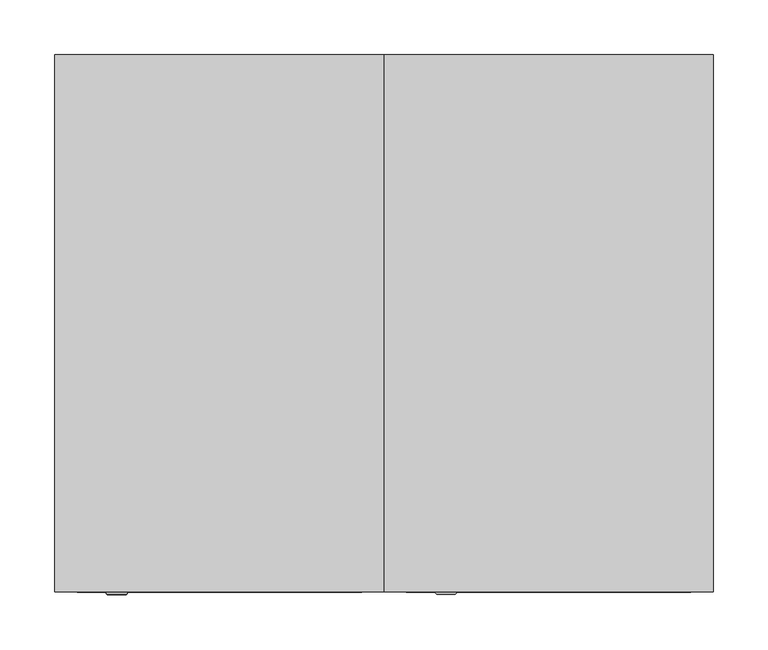
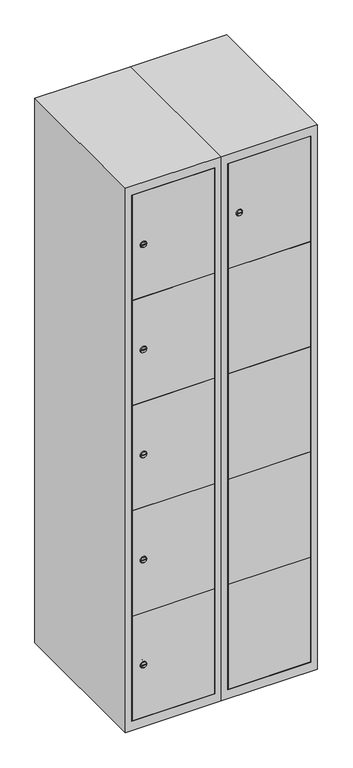
"""IFC4 building model written with IfcOpenShell, lengths in millimetres: furniture geometry."""

import ifcopenshell
import ifcopenshell.guid

model = None  # the IFC model being written
_history = None  # IfcOwnerHistory: only IFC2X3 demands one
_inside = {}  # id of a spatial element -> (the spatial element, [elements in it])
_under = {}  # id of a project, library or spatial element -> (it, [spatial elements below it])
_declared = {}  # id of a project -> (the project, [libraries it declares])
_typed = {}  # id of a type object -> (the type object, [elements of that type])
_made_of = {}  # id of a material, layer set ... -> (it, [elements and type objects made of it])


def new_model(schema):
    """Start an empty IFC model of exactly this schema.

    Asked for "IFC4X3", IfcOpenShell would pick the latest addendum, in which some entities
    have other attributes; the version numbers below select the first issue.
    IFC2X3 requires an IfcOwnerHistory on every rooted entity: one is made here for all.
    """
    global model, _history
    if schema == "IFC4X3":
        model = ifcopenshell.file(schema_version=(4, 3, 0, 0))
    else:
        model = ifcopenshell.file(schema=schema)
    _inside.clear()
    _under.clear()
    _declared.clear()
    _typed.clear()
    _made_of.clear()
    _history = None
    if model.schema == "IFC2X3":
        org = make("IfcOrganization", Name="unknown")
        user = make(
            "IfcPersonAndOrganization",
            ThePerson=make("IfcPerson", FamilyName="unknown"),
            TheOrganization=org,
        )
        app = make(
            "IfcApplication",
            ApplicationDeveloper=org,
            Version="unknown",
            ApplicationFullName="unknown",
            ApplicationIdentifier="unknown",
        )
        _history = make(
            "IfcOwnerHistory",
            OwningUser=user,
            OwningApplication=app,
            ChangeAction="ADDED",
            CreationDate=0,
        )
    return model


def make(cls, **values):
    """One entity of the class cls with the attributes given. An attribute that is None is left unset."""
    return model.create_entity(
        cls, **{name: value for name, value in values.items() if value is not None}
    )


def rooted(cls, **values):
    """An entity with a GlobalId (a new one), such as an element, a storey or a relation."""
    return make(cls, GlobalId=ifcopenshell.guid.new(), OwnerHistory=_history, **values)


def si_unit(unit_type, name, prefix=None):
    """IfcSIUnit, for example si_unit("LENGTHUNIT", "METRE", prefix="MILLI")."""
    return make("IfcSIUnit", UnitType=unit_type, Prefix=prefix, Name=name)


def assignment(units):
    """IfcUnitAssignment: the units of a project."""
    return None if units is None else make("IfcUnitAssignment", Units=units)


def point(xyz):
    """IfcCartesianPoint."""
    return None if xyz is None else make("IfcCartesianPoint", Coordinates=xyz)


def direction(xyz):
    """IfcDirection."""
    return None if xyz is None else make("IfcDirection", DirectionRatios=xyz)


def frame(location, z_axis=None, x_axis=None):
    """IfcAxis2Placement3D, a coordinate frame: its origin and axes. An axis left out is left unset."""
    return make(
        "IfcAxis2Placement3D",
        Location=point(location),
        Axis=direction(z_axis),
        RefDirection=direction(x_axis),
    )


def frame_2d(location, x_axis=None):
    """IfcAxis2Placement2D, a coordinate frame in the plane: its origin and x axis."""
    return make(
        "IfcAxis2Placement2D", Location=point(location), RefDirection=direction(x_axis)
    )


def origin():
    """The frame at (0, 0, 0) with its axes left unset."""
    return frame((0.0, 0.0, 0.0))


def place(relative_to, where):
    """IfcLocalPlacement: puts the frame where relative to a parent placement (None: the world)."""
    return make(
        "IfcLocalPlacement", PlacementRelTo=relative_to, RelativePlacement=where
    )


def context(
    kind, dimensions, precision=None, world=None, true_north=None, identifier=None
):
    """IfcGeometricRepresentationContext, for example the 3D "Model" context."""
    return make(
        "IfcGeometricRepresentationContext",
        ContextIdentifier=identifier,
        ContextType=kind,
        CoordinateSpaceDimension=dimensions,
        Precision=precision,
        WorldCoordinateSystem=world,
        TrueNorth=true_north,
    )


def project(units=None, contexts=None):
    """IfcProject with its units and contexts."""
    return rooted(
        "IfcProject",
        Name="project",
        RepresentationContexts=contexts,
        UnitsInContext=assignment(units),
    )


def spatial(cls, under=None, at=None, **own):
    """A site, building, storey or space (cls), placed at a placement, below another one or the project."""
    s = rooted(cls, ObjectPlacement=at, **own)
    if under is not None:
        _under.setdefault(under.id(), (under, []))[1].append(s)
    return s


def polyline(points):
    """IfcPolyline through the points."""
    return make("IfcPolyline", Points=[point(p) for p in points])


def circle_curve(where, radius):
    """IfcCircle in the frame where."""
    return make("IfcCircle", Position=where, Radius=radius)


def trimmed(basis, trim1, trim2, sense, master):
    """IfcTrimmedCurve: the piece of a basis curve between two trims."""
    return make(
        "IfcTrimmedCurve",
        BasisCurve=basis,
        Trim1=trim1,
        Trim2=trim2,
        SenseAgreement=sense,
        MasterRepresentation=master,
    )


def segment(curve, same_sense, transition):
    """IfcCompositeCurveSegment."""
    return make(
        "IfcCompositeCurveSegment",
        Transition=transition,
        SameSense=same_sense,
        ParentCurve=curve,
    )


def composite_curve(segments, self_intersect=None):
    """IfcCompositeCurve: segments joined end to end."""
    return make("IfcCompositeCurve", Segments=segments, SelfIntersect=self_intersect)


def outline(outer, holes=None, kind="AREA"):
    """IfcArbitraryClosedProfileDef: a profile drawn as a closed curve; with holes, ...WithVoids."""
    if holes is None:
        return make("IfcArbitraryClosedProfileDef", ProfileType=kind, OuterCurve=outer)
    return make(
        "IfcArbitraryProfileDefWithVoids",
        ProfileType=kind,
        OuterCurve=outer,
        InnerCurves=holes,
    )


def extrude(swept, where, along, depth):
    """IfcExtrudedAreaSolid: the profile swept, set in the frame where, extruded along a direction by depth."""
    return make(
        "IfcExtrudedAreaSolid",
        SweptArea=swept,
        Position=where,
        ExtrudedDirection=direction(along),
        Depth=depth,
    )


def faces_of(points, faces, orient=None, outer=None):
    """IfcFace entities. A face is a list of loops; a loop is a list of indices into points, from 0.

    orient and outer hold one flag for each loop. By default every Orientation is true, the
    first loop of a face is its IfcFaceOuterBound and the others are IfcFaceBound.
    """
    made = []
    for i, loops in enumerate(faces):
        bounds = []
        for j, loop in enumerate(loops):
            is_outer = j == 0 if outer is None else outer[i][j]
            bounds.append(
                make(
                    "IfcFaceOuterBound" if is_outer else "IfcFaceBound",
                    Bound=make("IfcPolyLoop", Polygon=[points[k] for k in loop]),
                    Orientation=True if orient is None else orient[i][j],
                )
            )
        made.append(make("IfcFace", Bounds=bounds))
    return made


def faceted_brep(points, faces, orient=None, outer=None, voids=None):
    """IfcFacetedBrep: a solid bounded by flat faces; with voids (closed shells), ...WithVoids."""
    shared = [point(p) for p in points]
    hull = make("IfcClosedShell", CfsFaces=faces_of(shared, faces, orient, outer))
    if voids is None:
        return make("IfcFacetedBrep", Outer=hull)
    return make(
        "IfcFacetedBrepWithVoids",
        Outer=hull,
        Voids=[
            make(cls, CfsFaces=faces_of(shared, fs, o, b)) for cls, fs, o, b in voids
        ],
    )


def shape(context_of_items, identifier, shape_type, items):
    """IfcShapeRepresentation: the items that make up one representation, for example the "Body"."""
    return make(
        "IfcShapeRepresentation",
        ContextOfItems=context_of_items,
        RepresentationIdentifier=identifier,
        RepresentationType=shape_type,
        Items=items,
    )


def source(mapping_origin, context_of_items, identifier, shape_type, items):
    """IfcRepresentationMap: a shape defined once, which mapped items show again and again."""
    return make(
        "IfcRepresentationMap",
        MappingOrigin=mapping_origin,
        MappedRepresentation=shape(context_of_items, identifier, shape_type, items),
    )


def transform(
    local_origin,
    x_axis=None,
    y_axis=None,
    z_axis=None,
    scale=None,
    scale2=None,
    scale3=None,
    uniform=True,
):
    """IfcCartesianTransformationOperator3D, or its non-uniform kind. x_axis, y_axis, z_axis: its Axis1, 2, 3."""
    if uniform:
        return make(
            "IfcCartesianTransformationOperator3D",
            Axis1=direction(x_axis),
            Axis2=direction(y_axis),
            LocalOrigin=point(local_origin),
            Scale=scale,
            Axis3=direction(z_axis),
        )
    return make(
        "IfcCartesianTransformationOperator3DnonUniform",
        Axis1=direction(x_axis),
        Axis2=direction(y_axis),
        LocalOrigin=point(local_origin),
        Scale=scale,
        Axis3=direction(z_axis),
        Scale2=scale2,
        Scale3=scale3,
    )


def mapped(mapping_source, mapping_target):
    """IfcMappedItem: shows the shape of a source again, moved by a transform."""
    return make(
        "IfcMappedItem", MappingSource=mapping_source, MappingTarget=mapping_target
    )


def made_of(thing, what):
    """Note that an element or type object is made of a material, layer set ...; save() writes the relation."""
    if what is not None:
        _made_of.setdefault(what.id(), (what, []))[1].append(thing)
    return thing


def element(
    cls,
    number,
    at=None,
    inside=None,
    cuts=None,
    type_object=None,
    material=None,
    context=None,
    identifier="Body",
    shape_type=None,
    held_by="IfcProductDefinitionShape",
    body=None,
    shapes=None,
    **own,
):
    """One element of the class cls, such as IfcWall. Its Tag is "e" and its number.

    at: its placement. inside: the storey or other place that contains it. cuts: it is an
    opening in that element (IfcRelVoidsElement). A single representation is given by context,
    identifier, shape_type and body (its items); several are given by shapes. held_by: the class
    of the entity that holds the representations. save() writes the other relations.
    """
    e = rooted(cls, Tag="e%d" % number, ObjectPlacement=at, **own)
    if body is not None:
        shapes = [shape(context, identifier, shape_type, body)]
    if shapes is not None:
        e.Representation = make(held_by, Representations=shapes)
    if inside is not None:
        _inside.setdefault(inside.id(), (inside, []))[1].append(e)
    if cuts is not None:
        rooted(
            "IfcRelVoidsElement", RelatingBuildingElement=cuts, RelatedOpeningElement=e
        )
    if type_object is not None:
        _typed.setdefault(type_object.id(), (type_object, []))[1].append(e)
    return made_of(e, material)


def aggregate(whole, parts):
    """IfcRelAggregates: a whole, such as a stair, and the parts it consists of."""
    return rooted("IfcRelAggregates", RelatingObject=whole, RelatedObjects=parts)


def save(model, path):
    """Write the relations noted so far, then the file.

    IfcRelAggregates (storeys below a building ...), IfcRelContainedInSpatialStructure (elements
    in a storey), IfcRelDefinesByType, IfcRelAssociatesMaterial and IfcRelDeclares: one each for
    every whole, place, type object, material and project.
    """
    for whole, parts in _under.values():
        aggregate(whole, parts)
    for where, things in _inside.values():
        rooted(
            "IfcRelContainedInSpatialStructure",
            RelatedElements=things,
            RelatingStructure=where,
        )
    for kind, things in _typed.values():
        rooted("IfcRelDefinesByType", RelatedObjects=things, RelatingType=kind)
    for what, things in _made_of.values():
        rooted("IfcRelAssociatesMaterial", RelatedObjects=things, RelatingMaterial=what)
    for by, libraries in _declared.values():
        rooted("IfcRelDeclares", RelatingContext=by, RelatedDefinitions=libraries)
    model.write(path)


def plane_surface(at):
    """IfcPlane: the flat surface through the origin of the frame at, square to its z axis."""
    return make("IfcPlane", Position=at)


def revolved_surface(curve, axis_point, axis_direction):
    """IfcSurfaceOfRevolution: the curve turned about the line through axis_point along axis_direction."""
    return make(
        "IfcSurfaceOfRevolution",
        SweptCurve=make("IfcArbitraryOpenProfileDef", ProfileType="CURVE", Curve=curve),
        AxisPosition=make("IfcAxis1Placement", Location=point(axis_point), Axis=direction(axis_direction)),
    )


def advanced_brep(points, edges, surfaces, faces):
    """IfcAdvancedBrep: a solid bounded by faces that lie on surfaces and meet in shared edges.

    An edge is (start, end): straight between two places in points (the first is 0);
    or (start, end, curve); or (start, end, curve, False) where it runs against its curve.
    A face is (place in surfaces, loops), or (place, loops, False) where it looks against
    its surface's normal. A loop lists edges by number (the first is 1), with a minus sign
    where the edge is run from its end to its start. The first loop is the outer one.
    """
    corners = [point(p) for p in points]
    vertices = [make("IfcVertexPoint", VertexGeometry=c) for c in corners]
    made = []
    for start, end, *more in edges:
        made.append(
            make(
                "IfcEdgeCurve",
                EdgeStart=vertices[start],
                EdgeEnd=vertices[end],
                EdgeGeometry=more[0] if more else make("IfcPolyline", Points=[corners[start], corners[end]]),
                SameSense=more[1] if len(more) > 1 else True,
            )
        )
    hull = []
    for where, loops, *sense in faces:
        bounds = []
        for j, loop in enumerate(loops):
            ring = [make("IfcOrientedEdge", EdgeElement=made[abs(k) - 1], Orientation=k > 0) for k in loop]
            bounds.append(
                make(
                    "IfcFaceOuterBound" if j == 0 else "IfcFaceBound",
                    Bound=make("IfcEdgeLoop", EdgeList=ring),
                    Orientation=True,
                )
            )
        hull.append(make("IfcAdvancedFace", Bounds=bounds, FaceSurface=surfaces[where], SameSense=sense[0] if sense else True))
    return make("IfcAdvancedBrep", Outer=make("IfcClosedShell", CfsFaces=hull))


def furniture_5b9d0ed6(model_context):
    return source(origin(), model_context, "Body", "SolidModel", [
        advanced_brep(
        [(164.9, -247.2, 1630.04), (147.9, -247.2, 1630.04), (151.4, -247.2, 1628.79), (151.4, -247.2, 1631.29), (161.4, -247.2, 1631.29), (161.4, -247.2, 1628.79), (166.9, -245.0, 1630.04), (145.9, -245.0, 1630.04), (151.4, -245.0, 1631.29), (151.4, -245.0, 1628.79), (161.4, -245.0, 1628.79), (161.4, -245.0, 1631.29)],
        [
            (0, 1, circle_curve(frame((156.4, -247.2, 1630.04), z_axis=(0.0, -1.0, 0.0), x_axis=(1.0, 0.0, 0.0)), 8.5)),
            (1, 0, circle_curve(frame((156.4, -247.2, 1630.04), z_axis=(0.0, -1.0, 0.0), x_axis=(-1.0, 0.0, 0.0)), 8.5)),
            (2, 3),
            (3, 4),
            (4, 5),
            (5, 2),
            (6, 7, circle_curve(frame((156.4, -245.0, 1630.04), z_axis=(0.0, 1.0, 0.0), x_axis=(-1.0, 0.0, 0.0)), 10.5)),
            (7, 6, circle_curve(frame((156.4, -245.0, 1630.04), z_axis=(0.0, 1.0, 0.0), x_axis=(1.0, 0.0, 0.0)), 10.5)),
            (8, 9),
            (9, 10),
            (10, 11),
            (11, 8),
            (0, 6),
            (7, 1),
            (8, 3),
            (2, 9),
            (11, 4),
            (10, 5),
        ],
        [
            plane_surface(frame((156.4, -247.2, 1630.04), z_axis=(0.0, -1.0, 0.0), x_axis=(0.0, 0.0, 1.0))),
            plane_surface(frame((156.4, -245.0, 1630.04), z_axis=(0.0, 1.0, 0.0), x_axis=(0.0, 0.0, 1.0))),
            revolved_surface(polyline([(164.9, -247.2, 1630.04), (166.9, -245.0, 1630.04)]), (156.4, -256.55, 1630.04), (0.0, 1.0, 0.0)),
            revolved_surface(polyline([(147.9, -247.2, 1630.04), (145.9, -245.0, 1630.04)]), (156.4, -256.55, 1630.04), (0.0, 1.0, 0.0)),
            plane_surface(frame((151.4, -245.0, 1628.79), z_axis=(1.0, 0.0, 0.0), x_axis=(0.0, -1.0, 0.0))),
            plane_surface(frame((151.4, -245.0, 1631.29), z_axis=(0.0, 0.0, -1.0), x_axis=(0.0, -1.0, 0.0))),
            plane_surface(frame((161.4, -245.0, 1631.29), z_axis=(-1.0, 0.0, 0.0), x_axis=(0.0, -1.0, 0.0))),
            plane_surface(frame((161.4, -245.0, 1628.79), z_axis=(0.0, 0.0, 1.0), x_axis=(0.0, -1.0, 0.0))),
        ],
        [
            (0, [[1, 2], [3, 4, 5, 6]]),
            (1, [[7, 8], [9, 10, 11, 12]]),
            (2, [[-1, 13, -8, 14]]),
            (3, [[-2, -14, -7, -13]]),
            (4, [[15, -3, 16, -9]]),
            (5, [[-15, -12, 17, -4]]),
            (6, [[-17, -11, 18, -5]]),
            (7, [[-16, -6, -18, -10]]),
        ],
    ),
        extrude(outline(polyline([(378.6, -227.0), (378.6, -245.0), (121.4, -245.0), (121.4, -227.0), (378.6, -227.0)])), frame((0.0, 0.0, 760.74), z_axis=(0.0, 0.0, 1.0), x_axis=(1.0, 0.0, 0.0)), (0.0, 0.0, 1.0), 348.52),
        extrude(outline(polyline([(378.6, -227.0), (378.6, -245.0), (121.4, -245.0), (121.4, -227.0), (378.6, -227.0)])), frame((0.0, 0.0, 413.22), z_axis=(0.0, 0.0, 1.0), x_axis=(1.0, 0.0, 0.0)), (0.0, 0.0, 1.0), 348.52),
        extrude(outline(polyline([(378.6, -227.0), (378.6, -245.0), (121.4, -245.0), (121.4, -227.0), (378.6, -227.0)])), frame((0.0, 0.0, 1108.26), z_axis=(0.0, 0.0, 1.0), x_axis=(1.0, 0.0, 0.0)), (0.0, 0.0, 1.0), 347.52),
        extrude(outline(polyline([(121.4, -245.0), (121.4, -227.0), (378.6, -227.0), (378.6, -245.0), (121.4, -245.0)])), frame((0.0, 0.0, 1456.78), z_axis=(0.0, 0.0, 1.0), x_axis=(1.0, 0.0, 0.0)), (0.0, 0.0, 1.0), 347.02),
        extrude(outline(polyline([(378.6, -227.0), (378.6, -245.0), (121.4, -245.0), (121.4, -227.0), (378.6, -227.0)])), frame((0.0, 0.0, 66.2), z_axis=(0.0, 0.0, 1.0), x_axis=(1.0, 0.0, 0.0)), (0.0, 0.0, 1.0), 348.02),
        extrude(outline(polyline([(379.6, 242.0), (379.6, -227.0), (120.4, -227.0), (120.4, 242.0), (379.6, 242.0)])), frame((0.0, 0.0, 1446.68), z_axis=(0.0, 0.0, 1.0), x_axis=(1.0, 0.0, 0.0)), (0.0, 0.0, 1.0), 20.4),
        extrude(outline(polyline([(379.6, 242.0), (379.6, -227.0), (120.4, -227.0), (120.4, 242.0), (379.6, 242.0)])), frame((0.0, 0.0, 1098.76), z_axis=(0.0, 0.0, 1.0), x_axis=(1.0, 0.0, 0.0)), (0.0, 0.0, 1.0), 20.4),
        extrude(outline(polyline([(379.6, 242.0), (379.6, -227.0), (120.4, -227.0), (120.4, 242.0), (379.6, 242.0)])), frame((0.0, 0.0, 750.84), z_axis=(0.0, 0.0, 1.0), x_axis=(1.0, 0.0, 0.0)), (0.0, 0.0, 1.0), 20.4),
        extrude(outline(polyline([(120.4, 242.0), (379.6, 242.0), (379.6, -227.0), (120.4, -227.0), (120.4, 242.0)])), frame((0.0, 0.0, 402.92), z_axis=(0.0, 0.0, 1.0), x_axis=(1.0, 0.0, 0.0)), (0.0, 0.0, 1.0), 20.4),
        faceted_brep([(400.0, -245.0, 35.0), (400.0, -245.0, 1835.0), (100.0, -245.0, 1835.0), (100.0, -245.0, 35.0), (379.6, -245.0, 1804.8), (379.6, -245.0, 65.2), (120.4, -245.0, 65.2), (120.4, -245.0, 1804.8), (400.0, 245.0, 35.0), (100.0, 245.0, 35.0), (400.0, 245.0, 1835.0), (100.0, 245.0, 1835.0), (379.6, 242.0, 1804.8), (379.6, 242.0, 65.2), (100.0, 245.0, 1804.8), (120.4, 242.0, 1804.8), (120.4, 242.0, 65.2)], [[[0, 1, 2, 3], [4, 5, 6, 7]], [[8, 0, 3, 9]], [[1, 0, 8, 10]], [[1, 10, 11, 2]], [[4, 12, 13, 5]], [[9, 3, 2, 11, 14]], [[10, 8, 9, 14, 11]], [[12, 15, 16, 13]], [[15, 7, 6, 16]], [[4, 7, 15, 12]], [[6, 5, 13, 16]]]),
        extrude(outline(composite_curve([segment(trimmed(circle_curve(frame_2d((239.96, -170.3989466)), 7.0), [point((246.96, -170.3989466))], [point((232.96, -170.3989466))], False, "CARTESIAN"), True, "CONTINUOUS"), segment(polyline([(232.96, -170.3989466), (232.96, -142.3989466)]), True, "CONTINUOUS"), segment(trimmed(circle_curve(frame_2d((239.96, -142.3989466)), 7.0), [point((232.96, -142.3989466))], [point((246.96, -142.3989466))], False, "CARTESIAN"), True, "CONTINUOUS"), segment(polyline([(246.96, -142.3989466), (246.96, -170.3989466)]), True, "CONTINUOUS")], self_intersect=False)), frame((0.0, -227.0, 0.0), z_axis=(0.0, 1.0, 0.0), x_axis=(0.0, 0.0, 1.0)), (0.0, 0.0, 1.0), 2.0),
        advanced_brep(
        [(-135.1, -247.2, 239.96), (-152.1, -247.2, 239.96), (-148.6, -247.2, 238.71), (-148.6, -247.2, 241.21), (-138.6, -247.2, 241.21), (-138.6, -247.2, 238.71), (-133.1, -245.0, 239.96), (-154.1, -245.0, 239.96), (-148.6, -245.0, 241.21), (-148.6, -245.0, 238.71), (-138.6, -245.0, 238.71), (-138.6, -245.0, 241.21)],
        [
            (0, 1, circle_curve(frame((-143.6, -247.2, 239.96), z_axis=(0.0, -1.0, 0.0), x_axis=(1.0, 0.0, 0.0)), 8.5)),
            (1, 0, circle_curve(frame((-143.6, -247.2, 239.96), z_axis=(0.0, -1.0, 0.0), x_axis=(-1.0, 0.0, 0.0)), 8.5)),
            (2, 3),
            (3, 4),
            (4, 5),
            (5, 2),
            (6, 7, circle_curve(frame((-143.6, -245.0, 239.96), z_axis=(0.0, 1.0, 0.0), x_axis=(-1.0, 0.0, 0.0)), 10.5)),
            (7, 6, circle_curve(frame((-143.6, -245.0, 239.96), z_axis=(0.0, 1.0, 0.0), x_axis=(1.0, 0.0, 0.0)), 10.5)),
            (8, 9),
            (9, 10),
            (10, 11),
            (11, 8),
            (0, 6),
            (7, 1),
            (8, 3),
            (2, 9),
            (11, 4),
            (10, 5),
        ],
        [
            plane_surface(frame((-143.6, -247.2, 239.96), z_axis=(0.0, -1.0, 0.0), x_axis=(0.0, 0.0, 1.0))),
            plane_surface(frame((-143.6, -245.0, 239.96), z_axis=(0.0, 1.0, 0.0), x_axis=(0.0, 0.0, 1.0))),
            revolved_surface(polyline([(-135.1, -247.2, 239.96), (-133.1, -245.0, 239.96)]), (-143.6, -256.55, 239.96), (0.0, 1.0, 0.0)),
            revolved_surface(polyline([(-152.1, -247.2, 239.96), (-154.1, -245.0, 239.96)]), (-143.6, -256.55, 239.96), (0.0, 1.0, 0.0)),
            plane_surface(frame((-148.6, -245.0, 238.71), z_axis=(1.0, 0.0, 0.0), x_axis=(0.0, -1.0, 0.0))),
            plane_surface(frame((-148.6, -245.0, 241.21), z_axis=(0.0, 0.0, -1.0), x_axis=(0.0, -1.0, 0.0))),
            plane_surface(frame((-138.6, -245.0, 241.21), z_axis=(-1.0, 0.0, 0.0), x_axis=(0.0, -1.0, 0.0))),
            plane_surface(frame((-138.6, -245.0, 238.71), z_axis=(0.0, 0.0, 1.0), x_axis=(0.0, -1.0, 0.0))),
        ],
        [
            (0, [[1, 2], [3, 4, 5, 6]]),
            (1, [[7, 8], [9, 10, 11, 12]]),
            (2, [[-1, 13, -8, 14]]),
            (3, [[-2, -14, -7, -13]]),
            (4, [[15, -3, 16, -9]]),
            (5, [[-15, -12, 17, -4]]),
            (6, [[-17, -11, 18, -5]]),
            (7, [[-16, -6, -18, -10]]),
        ],
    ),
        extrude(outline(composite_curve([segment(trimmed(circle_curve(frame_2d((587.48, -170.3989466)), 7.0), [point((594.48, -170.3989466))], [point((580.48, -170.3989466))], False, "CARTESIAN"), True, "CONTINUOUS"), segment(polyline([(580.48, -170.3989466), (580.48, -142.3989466)]), True, "CONTINUOUS"), segment(trimmed(circle_curve(frame_2d((587.48, -142.3989466)), 7.0), [point((580.48, -142.3989466))], [point((594.48, -142.3989466))], False, "CARTESIAN"), True, "CONTINUOUS"), segment(polyline([(594.48, -142.3989466), (594.48, -170.3989466)]), True, "CONTINUOUS")], self_intersect=False)), frame((0.0, -227.0, 0.0), z_axis=(0.0, 1.0, 0.0), x_axis=(0.0, 0.0, 1.0)), (0.0, 0.0, 1.0), 2.0),
        advanced_brep(
        [(-135.1, -247.2, 587.48), (-152.1, -247.2, 587.48), (-148.6, -247.2, 586.23), (-148.6, -247.2, 588.73), (-138.6, -247.2, 588.73), (-138.6, -247.2, 586.23), (-133.1, -245.0, 587.48), (-154.1, -245.0, 587.48), (-148.6, -245.0, 588.73), (-148.6, -245.0, 586.23), (-138.6, -245.0, 586.23), (-138.6, -245.0, 588.73)],
        [
            (0, 1, circle_curve(frame((-143.6, -247.2, 587.48), z_axis=(0.0, -1.0, 0.0), x_axis=(1.0, 0.0, 0.0)), 8.5)),
            (1, 0, circle_curve(frame((-143.6, -247.2, 587.48), z_axis=(0.0, -1.0, 0.0), x_axis=(-1.0, 0.0, 0.0)), 8.5)),
            (2, 3),
            (3, 4),
            (4, 5),
            (5, 2),
            (6, 7, circle_curve(frame((-143.6, -245.0, 587.48), z_axis=(0.0, 1.0, 0.0), x_axis=(-1.0, 0.0, 0.0)), 10.5)),
            (7, 6, circle_curve(frame((-143.6, -245.0, 587.48), z_axis=(0.0, 1.0, 0.0), x_axis=(1.0, 0.0, 0.0)), 10.5)),
            (8, 9),
            (9, 10),
            (10, 11),
            (11, 8),
            (0, 6),
            (7, 1),
            (8, 3),
            (2, 9),
            (11, 4),
            (10, 5),
        ],
        [
            plane_surface(frame((-143.6, -247.2, 587.48), z_axis=(0.0, -1.0, 0.0), x_axis=(0.0, 0.0, 1.0))),
            plane_surface(frame((-143.6, -245.0, 587.48), z_axis=(0.0, 1.0, 0.0), x_axis=(0.0, 0.0, 1.0))),
            revolved_surface(polyline([(-135.1, -247.2, 587.48), (-133.1, -245.0, 587.48)]), (-143.6, -256.55, 587.48), (0.0, 1.0, 0.0)),
            revolved_surface(polyline([(-152.1, -247.2, 587.48), (-154.1, -245.0, 587.48)]), (-143.6, -256.55, 587.48), (0.0, 1.0, 0.0)),
            plane_surface(frame((-148.6, -245.0, 586.23), z_axis=(1.0, 0.0, 0.0), x_axis=(0.0, -1.0, 0.0))),
            plane_surface(frame((-148.6, -245.0, 588.73), z_axis=(0.0, 0.0, -1.0), x_axis=(0.0, -1.0, 0.0))),
            plane_surface(frame((-138.6, -245.0, 588.73), z_axis=(-1.0, 0.0, 0.0), x_axis=(0.0, -1.0, 0.0))),
            plane_surface(frame((-138.6, -245.0, 586.23), z_axis=(0.0, 0.0, 1.0), x_axis=(0.0, -1.0, 0.0))),
        ],
        [
            (0, [[1, 2], [3, 4, 5, 6]]),
            (1, [[7, 8], [9, 10, 11, 12]]),
            (2, [[-1, 13, -8, 14]]),
            (3, [[-2, -14, -7, -13]]),
            (4, [[15, -3, 16, -9]]),
            (5, [[-15, -12, 17, -4]]),
            (6, [[-17, -11, 18, -5]]),
            (7, [[-16, -6, -18, -10]]),
        ],
    ),
        extrude(outline(composite_curve([segment(trimmed(circle_curve(frame_2d((935.0, -170.3989466)), 7.0), [point((942.0, -170.3989466))], [point((928.0, -170.3989466))], False, "CARTESIAN"), True, "CONTINUOUS"), segment(polyline([(928.0, -170.3989466), (928.0, -142.3989466)]), True, "CONTINUOUS"), segment(trimmed(circle_curve(frame_2d((935.0, -142.3989466)), 7.0), [point((928.0, -142.3989466))], [point((942.0, -142.3989466))], False, "CARTESIAN"), True, "CONTINUOUS"), segment(polyline([(942.0, -142.3989466), (942.0, -170.3989466)]), True, "CONTINUOUS")], self_intersect=False)), frame((0.0, -227.0, 0.0), z_axis=(0.0, 1.0, 0.0), x_axis=(0.0, 0.0, 1.0)), (0.0, 0.0, 1.0), 2.0),
        advanced_brep(
        [(-135.1, -247.2, 935.0), (-152.1, -247.2, 935.0), (-148.6, -247.2, 933.75), (-148.6, -247.2, 936.25), (-138.6, -247.2, 936.25), (-138.6, -247.2, 933.75), (-133.1, -245.0, 935.0), (-154.1, -245.0, 935.0), (-148.6, -245.0, 936.25), (-148.6, -245.0, 933.75), (-138.6, -245.0, 933.75), (-138.6, -245.0, 936.25)],
        [
            (0, 1, circle_curve(frame((-143.6, -247.2, 935.0), z_axis=(0.0, -1.0, 0.0), x_axis=(1.0, 0.0, 0.0)), 8.5)),
            (1, 0, circle_curve(frame((-143.6, -247.2, 935.0), z_axis=(0.0, -1.0, 0.0), x_axis=(-1.0, 0.0, 0.0)), 8.5)),
            (2, 3),
            (3, 4),
            (4, 5),
            (5, 2),
            (6, 7, circle_curve(frame((-143.6, -245.0, 935.0), z_axis=(0.0, 1.0, 0.0), x_axis=(-1.0, 0.0, 0.0)), 10.5)),
            (7, 6, circle_curve(frame((-143.6, -245.0, 935.0), z_axis=(0.0, 1.0, 0.0), x_axis=(1.0, 0.0, 0.0)), 10.5)),
            (8, 9),
            (9, 10),
            (10, 11),
            (11, 8),
            (0, 6),
            (7, 1),
            (8, 3),
            (2, 9),
            (11, 4),
            (10, 5),
        ],
        [
            plane_surface(frame((-143.6, -247.2, 935.0), z_axis=(0.0, -1.0, 0.0), x_axis=(0.0, 0.0, 1.0))),
            plane_surface(frame((-143.6, -245.0, 935.0), z_axis=(0.0, 1.0, 0.0), x_axis=(0.0, 0.0, 1.0))),
            revolved_surface(polyline([(-135.1, -247.2, 935.0), (-133.1, -245.0, 935.0)]), (-143.6, -256.55, 935.0), (0.0, 1.0, 0.0)),
            revolved_surface(polyline([(-152.1, -247.2, 935.0), (-154.1, -245.0, 935.0)]), (-143.6, -256.55, 935.0), (0.0, 1.0, 0.0)),
            plane_surface(frame((-148.6, -245.0, 933.75), z_axis=(1.0, 0.0, 0.0), x_axis=(0.0, -1.0, 0.0))),
            plane_surface(frame((-148.6, -245.0, 936.25), z_axis=(0.0, 0.0, -1.0), x_axis=(0.0, -1.0, 0.0))),
            plane_surface(frame((-138.6, -245.0, 936.25), z_axis=(-1.0, 0.0, 0.0), x_axis=(0.0, -1.0, 0.0))),
            plane_surface(frame((-138.6, -245.0, 933.75), z_axis=(0.0, 0.0, 1.0), x_axis=(0.0, -1.0, 0.0))),
        ],
        [
            (0, [[1, 2], [3, 4, 5, 6]]),
            (1, [[7, 8], [9, 10, 11, 12]]),
            (2, [[-1, 13, -8, 14]]),
            (3, [[-2, -14, -7, -13]]),
            (4, [[15, -3, 16, -9]]),
            (5, [[-15, -12, 17, -4]]),
            (6, [[-17, -11, 18, -5]]),
            (7, [[-16, -6, -18, -10]]),
        ],
    ),
        extrude(outline(composite_curve([segment(trimmed(circle_curve(frame_2d((1282.52, -170.3989466)), 7.0), [point((1289.52, -170.3989466))], [point((1275.52, -170.3989466))], False, "CARTESIAN"), True, "CONTINUOUS"), segment(polyline([(1275.52, -170.3989466), (1275.52, -142.3989466)]), True, "CONTINUOUS"), segment(trimmed(circle_curve(frame_2d((1282.52, -142.3989466)), 7.0), [point((1275.52, -142.3989466))], [point((1289.52, -142.3989466))], False, "CARTESIAN"), True, "CONTINUOUS"), segment(polyline([(1289.52, -142.3989466), (1289.52, -170.3989466)]), True, "CONTINUOUS")], self_intersect=False)), frame((0.0, -227.0, 0.0), z_axis=(0.0, 1.0, 0.0), x_axis=(0.0, 0.0, 1.0)), (0.0, 0.0, 1.0), 2.0),
        advanced_brep(
        [(-135.1, -247.2, 1282.52), (-152.1, -247.2, 1282.52), (-148.6, -247.2, 1281.27), (-148.6, -247.2, 1283.77), (-138.6, -247.2, 1283.77), (-138.6, -247.2, 1281.27), (-133.1, -245.0, 1282.52), (-154.1, -245.0, 1282.52), (-148.6, -245.0, 1283.77), (-148.6, -245.0, 1281.27), (-138.6, -245.0, 1281.27), (-138.6, -245.0, 1283.77)],
        [
            (0, 1, circle_curve(frame((-143.6, -247.2, 1282.52), z_axis=(0.0, -1.0, 0.0), x_axis=(1.0, 0.0, 0.0)), 8.5)),
            (1, 0, circle_curve(frame((-143.6, -247.2, 1282.52), z_axis=(0.0, -1.0, 0.0), x_axis=(-1.0, 0.0, 0.0)), 8.5)),
            (2, 3),
            (3, 4),
            (4, 5),
            (5, 2),
            (6, 7, circle_curve(frame((-143.6, -245.0, 1282.52), z_axis=(0.0, 1.0, 0.0), x_axis=(-1.0, 0.0, 0.0)), 10.5)),
            (7, 6, circle_curve(frame((-143.6, -245.0, 1282.52), z_axis=(0.0, 1.0, 0.0), x_axis=(1.0, 0.0, 0.0)), 10.5)),
            (8, 9),
            (9, 10),
            (10, 11),
            (11, 8),
            (0, 6),
            (7, 1),
            (8, 3),
            (2, 9),
            (11, 4),
            (10, 5),
        ],
        [
            plane_surface(frame((-143.6, -247.2, 1282.52), z_axis=(0.0, -1.0, 0.0), x_axis=(0.0, 0.0, 1.0))),
            plane_surface(frame((-143.6, -245.0, 1282.52), z_axis=(0.0, 1.0, 0.0), x_axis=(0.0, 0.0, 1.0))),
            revolved_surface(polyline([(-135.1, -247.2, 1282.52), (-133.1, -245.0, 1282.52)]), (-143.6, -256.55, 1282.52), (0.0, 1.0, 0.0)),
            revolved_surface(polyline([(-152.1, -247.2, 1282.52), (-154.1, -245.0, 1282.52)]), (-143.6, -256.55, 1282.52), (0.0, 1.0, 0.0)),
            plane_surface(frame((-148.6, -245.0, 1281.27), z_axis=(1.0, 0.0, 0.0), x_axis=(0.0, -1.0, 0.0))),
            plane_surface(frame((-148.6, -245.0, 1283.77), z_axis=(0.0, 0.0, -1.0), x_axis=(0.0, -1.0, 0.0))),
            plane_surface(frame((-138.6, -245.0, 1283.77), z_axis=(-1.0, 0.0, 0.0), x_axis=(0.0, -1.0, 0.0))),
            plane_surface(frame((-138.6, -245.0, 1281.27), z_axis=(0.0, 0.0, 1.0), x_axis=(0.0, -1.0, 0.0))),
        ],
        [
            (0, [[1, 2], [3, 4, 5, 6]]),
            (1, [[7, 8], [9, 10, 11, 12]]),
            (2, [[-1, 13, -8, 14]]),
            (3, [[-2, -14, -7, -13]]),
            (4, [[15, -3, 16, -9]]),
            (5, [[-15, -12, 17, -4]]),
            (6, [[-17, -11, 18, -5]]),
            (7, [[-16, -6, -18, -10]]),
        ],
    ),
        extrude(outline(composite_curve([segment(trimmed(circle_curve(frame_2d((1630.04, -170.3989466)), 7.0), [point((1637.04, -170.3989466))], [point((1623.04, -170.3989466))], False, "CARTESIAN"), True, "CONTINUOUS"), segment(polyline([(1623.04, -170.3989466), (1623.04, -142.3989466)]), True, "CONTINUOUS"), segment(trimmed(circle_curve(frame_2d((1630.04, -142.3989466)), 7.0), [point((1623.04, -142.3989466))], [point((1637.04, -142.3989466))], False, "CARTESIAN"), True, "CONTINUOUS"), segment(polyline([(1637.04, -142.3989466), (1637.04, -170.3989466)]), True, "CONTINUOUS")], self_intersect=False)), frame((0.0, -227.0, 0.0), z_axis=(0.0, 1.0, 0.0), x_axis=(0.0, 0.0, 1.0)), (0.0, 0.0, 1.0), 2.0),
        advanced_brep(
        [(-135.1, -247.2, 1630.04), (-152.1, -247.2, 1630.04), (-148.6, -247.2, 1628.79), (-148.6, -247.2, 1631.29), (-138.6, -247.2, 1631.29), (-138.6, -247.2, 1628.79), (-133.1, -245.0, 1630.04), (-154.1, -245.0, 1630.04), (-148.6, -245.0, 1631.29), (-148.6, -245.0, 1628.79), (-138.6, -245.0, 1628.79), (-138.6, -245.0, 1631.29)],
        [
            (0, 1, circle_curve(frame((-143.6, -247.2, 1630.04), z_axis=(0.0, -1.0, 0.0), x_axis=(1.0, 0.0, 0.0)), 8.5)),
            (1, 0, circle_curve(frame((-143.6, -247.2, 1630.04), z_axis=(0.0, -1.0, 0.0), x_axis=(-1.0, 0.0, 0.0)), 8.5)),
            (2, 3),
            (3, 4),
            (4, 5),
            (5, 2),
            (6, 7, circle_curve(frame((-143.6, -245.0, 1630.04), z_axis=(0.0, 1.0, 0.0), x_axis=(-1.0, 0.0, 0.0)), 10.5)),
            (7, 6, circle_curve(frame((-143.6, -245.0, 1630.04), z_axis=(0.0, 1.0, 0.0), x_axis=(1.0, 0.0, 0.0)), 10.5)),
            (8, 9),
            (9, 10),
            (10, 11),
            (11, 8),
            (0, 6),
            (7, 1),
            (8, 3),
            (2, 9),
            (11, 4),
            (10, 5),
        ],
        [
            plane_surface(frame((-143.6, -247.2, 1630.04), z_axis=(0.0, -1.0, 0.0), x_axis=(0.0, 0.0, 1.0))),
            plane_surface(frame((-143.6, -245.0, 1630.04), z_axis=(0.0, 1.0, 0.0), x_axis=(0.0, 0.0, 1.0))),
            revolved_surface(polyline([(-135.1, -247.2, 1630.04), (-133.1, -245.0, 1630.04)]), (-143.6, -256.55, 1630.04), (0.0, 1.0, 0.0)),
            revolved_surface(polyline([(-152.1, -247.2, 1630.04), (-154.1, -245.0, 1630.04)]), (-143.6, -256.55, 1630.04), (0.0, 1.0, 0.0)),
            plane_surface(frame((-148.6, -245.0, 1628.79), z_axis=(1.0, 0.0, 0.0), x_axis=(0.0, -1.0, 0.0))),
            plane_surface(frame((-148.6, -245.0, 1631.29), z_axis=(0.0, 0.0, -1.0), x_axis=(0.0, -1.0, 0.0))),
            plane_surface(frame((-138.6, -245.0, 1631.29), z_axis=(-1.0, 0.0, 0.0), x_axis=(0.0, -1.0, 0.0))),
            plane_surface(frame((-138.6, -245.0, 1628.79), z_axis=(0.0, 0.0, 1.0), x_axis=(0.0, -1.0, 0.0))),
        ],
        [
            (0, [[1, 2], [3, 4, 5, 6]]),
            (1, [[7, 8], [9, 10, 11, 12]]),
            (2, [[-1, 13, -8, 14]]),
            (3, [[-2, -14, -7, -13]]),
            (4, [[15, -3, 16, -9]]),
            (5, [[-15, -12, 17, -4]]),
            (6, [[-17, -11, 18, -5]]),
            (7, [[-16, -6, -18, -10]]),
        ],
    ),
        extrude(outline(polyline([(78.6, -227.0), (78.6, -245.0), (-178.6, -245.0), (-178.6, -227.0), (78.6, -227.0)])), frame((0.0, 0.0, 760.74), z_axis=(0.0, 0.0, 1.0), x_axis=(1.0, 0.0, 0.0)), (0.0, 0.0, 1.0), 348.52),
        extrude(outline(polyline([(78.6, -227.0), (78.6, -245.0), (-178.6, -245.0), (-178.6, -227.0), (78.6, -227.0)])), frame((0.0, 0.0, 413.22), z_axis=(0.0, 0.0, 1.0), x_axis=(1.0, 0.0, 0.0)), (0.0, 0.0, 1.0), 348.52),
        extrude(outline(polyline([(78.6, -227.0), (78.6, -245.0), (-178.6, -245.0), (-178.6, -227.0), (78.6, -227.0)])), frame((0.0, 0.0, 1108.26), z_axis=(0.0, 0.0, 1.0), x_axis=(1.0, 0.0, 0.0)), (0.0, 0.0, 1.0), 347.52),
        extrude(outline(polyline([(-178.6, -245.0), (-178.6, -227.0), (78.6, -227.0), (78.6, -245.0), (-178.6, -245.0)])), frame((0.0, 0.0, 1456.78), z_axis=(0.0, 0.0, 1.0), x_axis=(1.0, 0.0, 0.0)), (0.0, 0.0, 1.0), 347.02),
        extrude(outline(polyline([(78.6, -227.0), (78.6, -245.0), (-178.6, -245.0), (-178.6, -227.0), (78.6, -227.0)])), frame((0.0, 0.0, 66.2), z_axis=(0.0, 0.0, 1.0), x_axis=(1.0, 0.0, 0.0)), (0.0, 0.0, 1.0), 348.02),
        extrude(outline(polyline([(79.6, 242.0), (79.6, -227.0), (-179.6, -227.0), (-179.6, 242.0), (79.6, 242.0)])), frame((0.0, 0.0, 1446.68), z_axis=(0.0, 0.0, 1.0), x_axis=(1.0, 0.0, 0.0)), (0.0, 0.0, 1.0), 20.4),
        extrude(outline(polyline([(79.6, 242.0), (79.6, -227.0), (-179.6, -227.0), (-179.6, 242.0), (79.6, 242.0)])), frame((0.0, 0.0, 1098.76), z_axis=(0.0, 0.0, 1.0), x_axis=(1.0, 0.0, 0.0)), (0.0, 0.0, 1.0), 20.4),
        extrude(outline(polyline([(79.6, 242.0), (79.6, -227.0), (-179.6, -227.0), (-179.6, 242.0), (79.6, 242.0)])), frame((0.0, 0.0, 750.84), z_axis=(0.0, 0.0, 1.0), x_axis=(1.0, 0.0, 0.0)), (0.0, 0.0, 1.0), 20.4),
        extrude(outline(polyline([(-179.6, 242.0), (79.6, 242.0), (79.6, -227.0), (-179.6, -227.0), (-179.6, 242.0)])), frame((0.0, 0.0, 402.92), z_axis=(0.0, 0.0, 1.0), x_axis=(1.0, 0.0, 0.0)), (0.0, 0.0, 1.0), 20.4),
        faceted_brep([(100.0, -245.0, 35.0), (100.0, -245.0, 1835.0), (-200.0, -245.0, 1835.0), (-200.0, -245.0, 35.0), (79.6, -245.0, 1804.8), (79.6, -245.0, 65.2), (-179.6, -245.0, 65.2), (-179.6, -245.0, 1804.8), (100.0, 245.0, 35.0), (-200.0, 245.0, 35.0), (100.0, 245.0, 1835.0), (-200.0, 245.0, 1835.0), (79.6, 242.0, 1804.8), (79.6, 242.0, 65.2), (-200.0, 245.0, 1804.8), (-179.6, 242.0, 1804.8), (-179.6, 242.0, 65.2)], [[[0, 1, 2, 3], [4, 5, 6, 7]], [[8, 0, 3, 9]], [[1, 0, 8, 10]], [[1, 10, 11, 2]], [[4, 12, 13, 5]], [[9, 3, 2, 11, 14]], [[10, 8, 9, 14, 11]], [[12, 15, 16, 13]], [[15, 7, 6, 16]], [[4, 7, 15, 12]], [[6, 5, 13, 16]]]),
    ])


if __name__ == "__main__":
    model = new_model("IFC4")
    model_context = context("Model", 3, world=origin())
    ifc_project = project(units=[si_unit("LENGTHUNIT", "METRE", prefix="MILLI")], contexts=[model_context])
    site = spatial("IfcSite", under=ifc_project)
    building = spatial("IfcBuilding", under=site)
    placement = place(None, origin())
    furniture_shape = furniture_5b9d0ed6(model_context)
    element("IfcFurniture", 1, at=placement, inside=building, context=model_context, shape_type="MappedRepresentation", body=[
        mapped(furniture_shape, transform((0.0, 0.0, 0.0), x_axis=(1.0, 0.0, 0.0), y_axis=(0.0, 1.0, 0.0), z_axis=(0.0, 0.0, 1.0))),
    ])
    save(model, "model.ifc")
